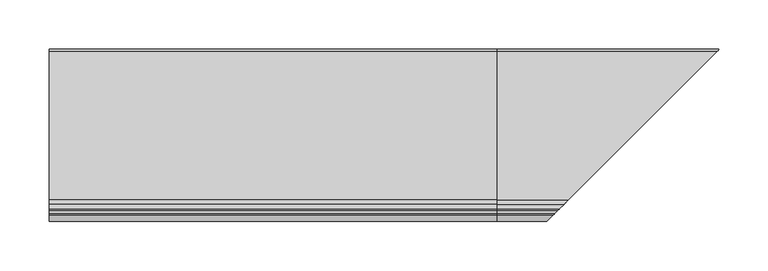
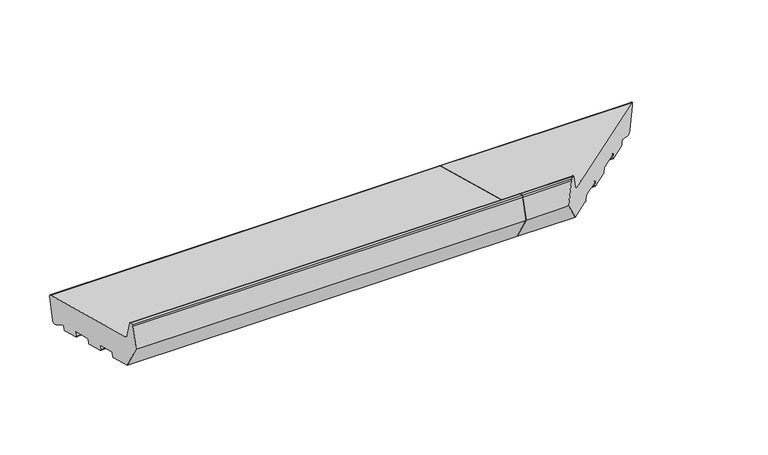
"""IFC4 building model written with IfcOpenShell, lengths in millimetres: proxy geometry."""

import ifcopenshell
import ifcopenshell.guid

model = None  # the IFC model being written
_history = None  # IfcOwnerHistory: only IFC2X3 demands one
_inside = {}  # id of a spatial element -> (the spatial element, [elements in it])
_under = {}  # id of a project, library or spatial element -> (it, [spatial elements below it])
_declared = {}  # id of a project -> (the project, [libraries it declares])
_typed = {}  # id of a type object -> (the type object, [elements of that type])
_made_of = {}  # id of a material, layer set ... -> (it, [elements and type objects made of it])


def new_model(schema):
    """Start an empty IFC model of exactly this schema.

    Asked for "IFC4X3", IfcOpenShell would pick the latest addendum, in which some entities
    have other attributes; the version numbers below select the first issue.
    IFC2X3 requires an IfcOwnerHistory on every rooted entity: one is made here for all.
    """
    global model, _history
    if schema == "IFC4X3":
        model = ifcopenshell.file(schema_version=(4, 3, 0, 0))
    else:
        model = ifcopenshell.file(schema=schema)
    _inside.clear()
    _under.clear()
    _declared.clear()
    _typed.clear()
    _made_of.clear()
    _history = None
    if model.schema == "IFC2X3":
        org = make("IfcOrganization", Name="unknown")
        user = make(
            "IfcPersonAndOrganization",
            ThePerson=make("IfcPerson", FamilyName="unknown"),
            TheOrganization=org,
        )
        app = make(
            "IfcApplication",
            ApplicationDeveloper=org,
            Version="unknown",
            ApplicationFullName="unknown",
            ApplicationIdentifier="unknown",
        )
        _history = make(
            "IfcOwnerHistory",
            OwningUser=user,
            OwningApplication=app,
            ChangeAction="ADDED",
            CreationDate=0,
        )
    return model


def make(cls, **values):
    """One entity of the class cls with the attributes given. An attribute that is None is left unset."""
    return model.create_entity(
        cls, **{name: value for name, value in values.items() if value is not None}
    )


def rooted(cls, **values):
    """An entity with a GlobalId (a new one), such as an element, a storey or a relation."""
    return make(cls, GlobalId=ifcopenshell.guid.new(), OwnerHistory=_history, **values)


def si_unit(unit_type, name, prefix=None):
    """IfcSIUnit, for example si_unit("LENGTHUNIT", "METRE", prefix="MILLI")."""
    return make("IfcSIUnit", UnitType=unit_type, Prefix=prefix, Name=name)


def assignment(units):
    """IfcUnitAssignment: the units of a project."""
    return None if units is None else make("IfcUnitAssignment", Units=units)


def point(xyz):
    """IfcCartesianPoint."""
    return None if xyz is None else make("IfcCartesianPoint", Coordinates=xyz)


def direction(xyz):
    """IfcDirection."""
    return None if xyz is None else make("IfcDirection", DirectionRatios=xyz)


def frame(location, z_axis=None, x_axis=None):
    """IfcAxis2Placement3D, a coordinate frame: its origin and axes. An axis left out is left unset."""
    return make(
        "IfcAxis2Placement3D",
        Location=point(location),
        Axis=direction(z_axis),
        RefDirection=direction(x_axis),
    )


def frame_2d(location, x_axis=None):
    """IfcAxis2Placement2D, a coordinate frame in the plane: its origin and x axis."""
    return make(
        "IfcAxis2Placement2D", Location=point(location), RefDirection=direction(x_axis)
    )


def origin():
    """The frame at (0, 0, 0) with its axes left unset."""
    return frame((0.0, 0.0, 0.0))


def place(relative_to, where):
    """IfcLocalPlacement: puts the frame where relative to a parent placement (None: the world)."""
    return make(
        "IfcLocalPlacement", PlacementRelTo=relative_to, RelativePlacement=where
    )


def context(
    kind, dimensions, precision=None, world=None, true_north=None, identifier=None
):
    """IfcGeometricRepresentationContext, for example the 3D "Model" context."""
    return make(
        "IfcGeometricRepresentationContext",
        ContextIdentifier=identifier,
        ContextType=kind,
        CoordinateSpaceDimension=dimensions,
        Precision=precision,
        WorldCoordinateSystem=world,
        TrueNorth=true_north,
    )


def project(units=None, contexts=None):
    """IfcProject with its units and contexts."""
    return rooted(
        "IfcProject",
        Name="project",
        RepresentationContexts=contexts,
        UnitsInContext=assignment(units),
    )


def spatial(cls, under=None, at=None, **own):
    """A site, building, storey or space (cls), placed at a placement, below another one or the project."""
    s = rooted(cls, ObjectPlacement=at, **own)
    if under is not None:
        _under.setdefault(under.id(), (under, []))[1].append(s)
    return s


def polyline(points):
    """IfcPolyline through the points."""
    return make("IfcPolyline", Points=[point(p) for p in points])


def circle_curve(where, radius):
    """IfcCircle in the frame where."""
    return make("IfcCircle", Position=where, Radius=radius)


def ellipse_curve(where, semi_axis1, semi_axis2):
    """IfcEllipse in the frame where."""
    return make(
        "IfcEllipse", Position=where, SemiAxis1=semi_axis1, SemiAxis2=semi_axis2
    )


def trimmed(basis, trim1, trim2, sense, master):
    """IfcTrimmedCurve: the piece of a basis curve between two trims."""
    return make(
        "IfcTrimmedCurve",
        BasisCurve=basis,
        Trim1=trim1,
        Trim2=trim2,
        SenseAgreement=sense,
        MasterRepresentation=master,
    )


def segment(curve, same_sense, transition):
    """IfcCompositeCurveSegment."""
    return make(
        "IfcCompositeCurveSegment",
        Transition=transition,
        SameSense=same_sense,
        ParentCurve=curve,
    )


def composite_curve(segments, self_intersect=None):
    """IfcCompositeCurve: segments joined end to end."""
    return make("IfcCompositeCurve", Segments=segments, SelfIntersect=self_intersect)


def outline(outer, holes=None, kind="AREA"):
    """IfcArbitraryClosedProfileDef: a profile drawn as a closed curve; with holes, ...WithVoids."""
    if holes is None:
        return make("IfcArbitraryClosedProfileDef", ProfileType=kind, OuterCurve=outer)
    return make(
        "IfcArbitraryProfileDefWithVoids",
        ProfileType=kind,
        OuterCurve=outer,
        InnerCurves=holes,
    )


def extrude(swept, where, along, depth):
    """IfcExtrudedAreaSolid: the profile swept, set in the frame where, extruded along a direction by depth."""
    return make(
        "IfcExtrudedAreaSolid",
        SweptArea=swept,
        Position=where,
        ExtrudedDirection=direction(along),
        Depth=depth,
    )


def shape(context_of_items, identifier, shape_type, items):
    """IfcShapeRepresentation: the items that make up one representation, for example the "Body"."""
    return make(
        "IfcShapeRepresentation",
        ContextOfItems=context_of_items,
        RepresentationIdentifier=identifier,
        RepresentationType=shape_type,
        Items=items,
    )


def source(mapping_origin, context_of_items, identifier, shape_type, items):
    """IfcRepresentationMap: a shape defined once, which mapped items show again and again."""
    return make(
        "IfcRepresentationMap",
        MappingOrigin=mapping_origin,
        MappedRepresentation=shape(context_of_items, identifier, shape_type, items),
    )


def transform(
    local_origin,
    x_axis=None,
    y_axis=None,
    z_axis=None,
    scale=None,
    scale2=None,
    scale3=None,
    uniform=True,
):
    """IfcCartesianTransformationOperator3D, or its non-uniform kind. x_axis, y_axis, z_axis: its Axis1, 2, 3."""
    if uniform:
        return make(
            "IfcCartesianTransformationOperator3D",
            Axis1=direction(x_axis),
            Axis2=direction(y_axis),
            LocalOrigin=point(local_origin),
            Scale=scale,
            Axis3=direction(z_axis),
        )
    return make(
        "IfcCartesianTransformationOperator3DnonUniform",
        Axis1=direction(x_axis),
        Axis2=direction(y_axis),
        LocalOrigin=point(local_origin),
        Scale=scale,
        Axis3=direction(z_axis),
        Scale2=scale2,
        Scale3=scale3,
    )


def mapped(mapping_source, mapping_target):
    """IfcMappedItem: shows the shape of a source again, moved by a transform."""
    return make(
        "IfcMappedItem", MappingSource=mapping_source, MappingTarget=mapping_target
    )


def made_of(thing, what):
    """Note that an element or type object is made of a material, layer set ...; save() writes the relation."""
    if what is not None:
        _made_of.setdefault(what.id(), (what, []))[1].append(thing)
    return thing


def element(
    cls,
    number,
    at=None,
    inside=None,
    cuts=None,
    type_object=None,
    material=None,
    context=None,
    identifier="Body",
    shape_type=None,
    held_by="IfcProductDefinitionShape",
    body=None,
    shapes=None,
    **own,
):
    """One element of the class cls, such as IfcWall. Its Tag is "e" and its number.

    at: its placement. inside: the storey or other place that contains it. cuts: it is an
    opening in that element (IfcRelVoidsElement). A single representation is given by context,
    identifier, shape_type and body (its items); several are given by shapes. held_by: the class
    of the entity that holds the representations. save() writes the other relations.
    """
    e = rooted(cls, Tag="e%d" % number, ObjectPlacement=at, **own)
    if body is not None:
        shapes = [shape(context, identifier, shape_type, body)]
    if shapes is not None:
        e.Representation = make(held_by, Representations=shapes)
    if inside is not None:
        _inside.setdefault(inside.id(), (inside, []))[1].append(e)
    if cuts is not None:
        rooted(
            "IfcRelVoidsElement", RelatingBuildingElement=cuts, RelatedOpeningElement=e
        )
    if type_object is not None:
        _typed.setdefault(type_object.id(), (type_object, []))[1].append(e)
    return made_of(e, material)


def aggregate(whole, parts):
    """IfcRelAggregates: a whole, such as a stair, and the parts it consists of."""
    return rooted("IfcRelAggregates", RelatingObject=whole, RelatedObjects=parts)


def save(model, path):
    """Write the relations noted so far, then the file.

    IfcRelAggregates (storeys below a building ...), IfcRelContainedInSpatialStructure (elements
    in a storey), IfcRelDefinesByType, IfcRelAssociatesMaterial and IfcRelDeclares: one each for
    every whole, place, type object, material and project.
    """
    for whole, parts in _under.values():
        aggregate(whole, parts)
    for where, things in _inside.values():
        rooted(
            "IfcRelContainedInSpatialStructure",
            RelatedElements=things,
            RelatingStructure=where,
        )
    for kind, things in _typed.values():
        rooted("IfcRelDefinesByType", RelatedObjects=things, RelatingType=kind)
    for what, things in _made_of.values():
        rooted("IfcRelAssociatesMaterial", RelatedObjects=things, RelatingMaterial=what)
    for by, libraries in _declared.values():
        rooted("IfcRelDeclares", RelatingContext=by, RelatedDefinitions=libraries)
    model.write(path)


def plane_surface(at):
    """IfcPlane: the flat surface through the origin of the frame at, square to its z axis."""
    return make("IfcPlane", Position=at)


def cylinder_surface(at, radius):
    """IfcCylindricalSurface: all points at the distance radius from the z axis of the frame at."""
    return make("IfcCylindricalSurface", Position=at, Radius=radius)


def revolved_surface(curve, axis_point, axis_direction):
    """IfcSurfaceOfRevolution: the curve turned about the line through axis_point along axis_direction."""
    return make(
        "IfcSurfaceOfRevolution",
        SweptCurve=make("IfcArbitraryOpenProfileDef", ProfileType="CURVE", Curve=curve),
        AxisPosition=make("IfcAxis1Placement", Location=point(axis_point), Axis=direction(axis_direction)),
    )


def advanced_brep(points, edges, surfaces, faces):
    """IfcAdvancedBrep: a solid bounded by faces that lie on surfaces and meet in shared edges.

    An edge is (start, end): straight between two places in points (the first is 0);
    or (start, end, curve); or (start, end, curve, False) where it runs against its curve.
    A face is (place in surfaces, loops), or (place, loops, False) where it looks against
    its surface's normal. A loop lists edges by number (the first is 1), with a minus sign
    where the edge is run from its end to its start. The first loop is the outer one.
    """
    corners = [point(p) for p in points]
    vertices = [make("IfcVertexPoint", VertexGeometry=c) for c in corners]
    made = []
    for start, end, *more in edges:
        made.append(
            make(
                "IfcEdgeCurve",
                EdgeStart=vertices[start],
                EdgeEnd=vertices[end],
                EdgeGeometry=more[0] if more else make("IfcPolyline", Points=[corners[start], corners[end]]),
                SameSense=more[1] if len(more) > 1 else True,
            )
        )
    hull = []
    for where, loops, *sense in faces:
        bounds = []
        for j, loop in enumerate(loops):
            ring = [make("IfcOrientedEdge", EdgeElement=made[abs(k) - 1], Orientation=k > 0) for k in loop]
            bounds.append(
                make(
                    "IfcFaceOuterBound" if j == 0 else "IfcFaceBound",
                    Bound=make("IfcEdgeLoop", EdgeList=ring),
                    Orientation=True,
                )
            )
        hull.append(make("IfcAdvancedFace", Bounds=bounds, FaceSurface=surfaces[where], SameSense=sense[0] if sense else True))
    return make("IfcAdvancedBrep", Outer=make("IfcClosedShell", CfsFaces=hull))


def generic_models_caa5d416(model_context):
    return source(origin(), model_context, "Body", "SolidModel", [
        advanced_brep(
        [(679.6670576, 34.6670576, 35.293328), (679.6670576, 34.6670576, 30.8798763), (679.6670576, 35.160744, 32.7223387), (455.0, 24.7572142, 5.4869469), (455.0, 22.0404366, 6.2149052), (455.0, 7.8722069, 14.8023515), (455.0, 6.3879511, 14.2059898), (455.0, 5.4386976, 10.6633278), (455.0, 4.2139528, 9.956221), (455.0, -18.0023412, 15.909059), (455.0, -18.709448, 17.1338039), (455.0, -17.6741718, 20.9975072), (455.0, -18.3812786, 22.2222521), (455.0, -41.5634984, 28.4339092), (455.0, -42.7882433, 27.7268024), (455.0, -43.8235195, 23.8630991), (455.0, -45.0482644, 23.1559923), (455.0, -67.2645584, 29.1088303), (455.0, -67.9716652, 30.3335752), (455.0, -66.936389, 34.1972785), (455.0, -67.6434958, 35.4220234), (455.0, -90.8257156, 41.6336805), (455.0, -92.0504605, 40.9265737), (455.0, -93.0857366, 37.0628704), (455.0, -94.3104815, 36.3557636), (455.0, -122.3223305, 43.8615159), (455.0, -140.0, 74.4801377), (455.0, -133.4291321, 99.0029505), (455.0, -131.9802434, 100.114722), (455.0, -128.6368689, 100.114722), (455.0, -127.1879801, 99.0029505), (455.0, -122.4052841, 81.1536858), (455.0, -118.1626434, 76.9110451), (455.0, 33.0394236, 36.3965733), (455.0, 35.160744, 32.7223387), (455.0, 28.4314488, 7.6082672), (673.4314488, 28.4314488, 7.6082672), (669.7572142, 24.7572142, 5.4869469), (678.0394236, 33.0394236, 36.3965733), (526.8373566, -118.1626434, 76.9110451), (522.5947159, -122.4052841, 81.1536858), (517.8120199, -127.1879801, 99.0029505), (516.3631311, -128.6368689, 100.114722), (513.0197566, -131.9802434, 100.114722), (511.5708679, -133.4291321, 99.0029505), (505.0, -140.0, 74.4801377), (522.6776695, -122.3223305, 43.8615159), (550.6895185, -94.3104815, 36.3557636), (551.9142634, -93.0857366, 37.0628704), (552.9495395, -92.0504605, 40.9265737), (554.1742844, -90.8257156, 41.6336805), (577.3565042, -67.6434958, 35.4220234), (578.063611, -66.936389, 34.1972785), (577.0283348, -67.9716652, 30.3335752), (577.7354416, -67.2645584, 29.1088303), (599.9517356, -45.0482644, 23.1559923), (601.1764805, -43.8235195, 23.8630991), (602.2117567, -42.7882433, 27.7268024), (603.4365016, -41.5634984, 28.4339092), (667.0404366, 22.0404366, 6.2149052), (626.6187214, -18.3812786, 22.2222521), (626.9976588, -18.0023412, 15.909059), (626.290552, -18.709448, 17.1338039), (627.3258282, -17.6741718, 20.9975072), (649.2139528, 4.2139528, 9.956221), (650.4386976, 5.4386976, 10.6633278), (651.3879511, 6.3879511, 14.2059898), (652.8722069, 7.8722069, 14.8023515)],
        [
            (0, 1),
            (1, 2),
            (2, 0, circle_curve(frame((679.6670576, 32.2629665, 33.4987958), z_axis=(1.0, 0.0, 0.0), x_axis=(0.0, 1.0, 0.0)), 3.0)),
            (3, 4),
            (4, 5),
            (5, 6, circle_curve(frame((455.0, 7.3538769, 13.9471708), z_axis=(1.0, 0.0, 0.0), x_axis=(0.0, 1.0, 0.0)), 1.0)),
            (6, 7),
            (7, 8, circle_curve(frame((455.0, 4.4727718, 10.9221468), z_axis=(-1.0, 0.0, 0.0), x_axis=(0.0, 1.0, 0.0)), 1.0)),
            (8, 9),
            (9, 10, circle_curve(frame((455.0, -17.7435222, 16.8749849), z_axis=(-1.0, 0.0, 0.0), x_axis=(0.0, 1.0, 0.0)), 1.0)),
            (10, 11),
            (11, 12, circle_curve(frame((455.0, -18.6400977, 21.2563263), z_axis=(1.0, 0.0, 0.0), x_axis=(0.0, 1.0, 0.0)), 1.0)),
            (12, 13),
            (13, 14, circle_curve(frame((455.0, -41.8223175, 27.4679833), z_axis=(1.0, 0.0, 0.0), x_axis=(0.0, 1.0, 0.0)), 1.0)),
            (14, 15),
            (15, 16, circle_curve(frame((455.0, -44.7894453, 24.1219181), z_axis=(-1.0, 0.0, 0.0), x_axis=(0.0, 1.0, 0.0)), 1.0)),
            (16, 17),
            (17, 18, circle_curve(frame((455.0, -67.0057393, 30.0747562), z_axis=(-1.0, 0.0, 0.0), x_axis=(0.0, 1.0, 0.0)), 1.0)),
            (18, 19),
            (19, 20, circle_curve(frame((455.0, -67.9023148, 34.4560976), z_axis=(1.0, 0.0, 0.0), x_axis=(0.0, 1.0, 0.0)), 1.0)),
            (20, 21),
            (21, 22, circle_curve(frame((455.0, -91.0845346, 40.6677546), z_axis=(1.0, 0.0, 0.0), x_axis=(0.0, 1.0, 0.0)), 1.0)),
            (22, 23),
            (23, 24, circle_curve(frame((455.0, -94.0516625, 37.3216894), z_axis=(-1.0, 0.0, 0.0), x_axis=(0.0, 1.0, 0.0)), 1.0)),
            (24, 25),
            (25, 26),
            (26, 27),
            (27, 28, circle_curve(frame((455.0, -131.9802434, 98.614722), z_axis=(-1.0, 0.0, 0.0), x_axis=(0.0, 1.0, 0.0)), 1.5)),
            (28, 29),
            (29, 30, circle_curve(frame((455.0, -128.6368689, 98.614722), z_axis=(-1.0, 0.0, 0.0), x_axis=(0.0, 1.0, 0.0)), 1.5)),
            (30, 31),
            (31, 32, circle_curve(frame((455.0, -116.6097291, 82.7066), z_axis=(1.0, 0.0, 0.0), x_axis=(0.0, 1.0, 0.0)), 6.0)),
            (32, 33),
            (33, 34, circle_curve(frame((455.0, 32.2629665, 33.4987958), z_axis=(-1.0, 0.0, 0.0), x_axis=(0.0, 1.0, 0.0)), 3.0)),
            (34, 35),
            (35, 3, circle_curve(frame((455.0, 25.5336713, 8.3847244), z_axis=(-1.0, 0.0, 0.0), x_axis=(0.0, 1.0, 0.0)), 3.0)),
            (35, 36),
            (36, 37, ellipse_curve(frame((670.5336713, 25.5336713, 8.3847244), z_axis=(-0.707106781186548, 0.7071067811865471, 0.0), x_axis=(0.707106781186547, 0.707106781186548, 0.0)), 4.2426407, 3.0)),
            (37, 3),
            (34, 2),
            (1, 36),
            (33, 38),
            (38, 0, ellipse_curve(frame((677.2629665, 32.2629665, 33.4987958), z_axis=(-0.707106781186548, 0.7071067811865471, 0.0), x_axis=(0.707106781186547, 0.707106781186548, 0.0)), 4.2426407, 3.0)),
            (32, 39),
            (39, 38),
            (31, 40),
            (40, 39, ellipse_curve(frame((528.3902709, -116.6097291, 82.7066), z_axis=(0.707106781186548, -0.7071067811865471, 0.0), x_axis=(-0.707106781186547, -0.707106781186548, 0.0)), 8.4852814, 6.0)),
            (30, 41),
            (41, 40),
            (29, 42),
            (42, 41, ellipse_curve(frame((516.3631311, -128.6368689, 98.614722), z_axis=(-0.707106781186548, 0.7071067811865471, 0.0), x_axis=(0.707106781186547, 0.707106781186548, 0.0)), 2.1213203, 1.5)),
            (28, 43),
            (43, 42),
            (27, 44),
            (44, 43, ellipse_curve(frame((513.0197566, -131.9802434, 98.614722), z_axis=(-0.707106781186548, 0.7071067811865471, 0.0), x_axis=(0.707106781186547, 0.707106781186548, 0.0)), 2.1213203, 1.5)),
            (26, 45),
            (45, 44),
            (25, 46),
            (46, 45),
            (24, 47),
            (47, 46),
            (23, 48),
            (48, 47, ellipse_curve(frame((550.9483375, -94.0516625, 37.3216894), z_axis=(-0.707106781186548, 0.7071067811865471, 0.0), x_axis=(0.707106781186547, 0.707106781186548, 0.0)), 1.4142136, 1.0)),
            (22, 49),
            (49, 48),
            (21, 50),
            (50, 49, ellipse_curve(frame((553.9154654, -91.0845346, 40.6677546), z_axis=(0.707106781186548, -0.7071067811865471, 0.0), x_axis=(-0.707106781186547, -0.707106781186548, 0.0)), 1.4142136, 1.0)),
            (20, 51),
            (51, 50),
            (19, 52),
            (52, 51, ellipse_curve(frame((577.0976852, -67.9023148, 34.4560976), z_axis=(0.707106781186548, -0.7071067811865471, 0.0), x_axis=(-0.707106781186547, -0.707106781186548, 0.0)), 1.4142136, 1.0)),
            (18, 53),
            (53, 52),
            (17, 54),
            (54, 53, ellipse_curve(frame((577.9942607, -67.0057393, 30.0747562), z_axis=(-0.707106781186548, 0.7071067811865471, 0.0), x_axis=(0.707106781186547, 0.707106781186548, 0.0)), 1.4142136, 1.0)),
            (16, 55),
            (55, 54),
            (15, 56),
            (56, 55, ellipse_curve(frame((600.2105547, -44.7894453, 24.1219181), z_axis=(-0.707106781186548, 0.7071067811865471, 0.0), x_axis=(0.707106781186547, 0.707106781186548, 0.0)), 1.4142136, 1.0)),
            (14, 57),
            (57, 56),
            (13, 58),
            (58, 57, ellipse_curve(frame((603.1776825, -41.8223175, 27.4679833), z_axis=(0.707106781186548, -0.7071067811865471, 0.0), x_axis=(-0.707106781186547, -0.707106781186548, 0.0)), 1.4142136, 1.0)),
            (37, 59),
            (59, 4),
            (12, 60),
            (60, 58),
            (9, 61),
            (61, 62, ellipse_curve(frame((627.2564778, -17.7435222, 16.8749849), z_axis=(-0.707106781186548, 0.7071067811865471, 0.0), x_axis=(0.707106781186547, 0.707106781186548, 0.0)), 1.4142136, 1.0)),
            (62, 10),
            (62, 63),
            (63, 11),
            (63, 60, ellipse_curve(frame((626.3599023, -18.6400977, 21.2563263), z_axis=(0.707106781186548, -0.7071067811865471, 0.0), x_axis=(-0.707106781186547, -0.707106781186548, 0.0)), 1.4142136, 1.0)),
            (8, 64),
            (64, 61),
            (7, 65),
            (65, 64, ellipse_curve(frame((649.4727718, 4.4727718, 10.9221468), z_axis=(-0.707106781186548, 0.7071067811865471, 0.0), x_axis=(0.707106781186547, 0.707106781186548, 0.0)), 1.4142136, 1.0)),
            (6, 66),
            (66, 65),
            (5, 67),
            (67, 66, ellipse_curve(frame((652.3538769, 7.3538769, 13.9471708), z_axis=(0.707106781186548, -0.7071067811865471, 0.0), x_axis=(-0.707106781186547, -0.707106781186548, 0.0)), 1.4142136, 1.0)),
            (59, 67),
        ],
        [
            plane_surface(frame((679.6670576, 0.0, 0.0), z_axis=(1.0, 0.0, 0.0), x_axis=(0.0, 0.0, 1.0))),
            plane_surface(frame((455.0, 0.0, 0.0), z_axis=(-1.0, 0.0, 0.0), x_axis=(0.0, 0.0, 1.0))),
            cylinder_surface(frame((679.6670576, 25.5336713, 8.3847244), z_axis=(1.0, 0.0, 0.0), x_axis=(0.0, 1.0, 0.0)), 3.0),
            plane_surface(frame((679.6670576, 35.160744, 32.7223387), z_axis=(0.0, 0.9659258262890688, -0.25881904510251913), x_axis=(-1.0, 0.0, 0.0))),
            cylinder_surface(frame((679.6670576, 32.2629665, 33.4987958), z_axis=(1.0, 0.0, 0.0), x_axis=(0.0, 1.0, 0.0)), 3.0),
            plane_surface(frame((679.6670576, -118.1626434, 76.9110451), z_axis=(0.0, 0.2588190451025206, 0.9659258262890684), x_axis=(-1.0, 0.0, 0.0))),
            revolved_surface(polyline([(455.0, -110.6097291, 82.7066), (534.3902709182161, -110.6097291, 82.7066)]), (679.6670576, -116.6097291, 82.7066), (-1.0, 0.0, 0.0)),
            plane_surface(frame((679.6670576, -127.1879801, 99.0029505), z_axis=(0.0, 0.9659258262890682, 0.2588190451025212), x_axis=(-1.0, 0.0, 0.0))),
            cylinder_surface(frame((679.6670576, -128.6368689, 98.614722), z_axis=(1.0, 0.0, 0.0), x_axis=(0.0, 1.0, 0.0)), 1.5),
            plane_surface(frame((679.6670576, -131.9802434, 100.114722), z_axis=(0.0, 0.0, 1.0), x_axis=(-1.0, 0.0, 0.0))),
            cylinder_surface(frame((679.6670576, -131.9802434, 98.614722), z_axis=(1.0, 0.0, 0.0), x_axis=(0.0, 1.0, 0.0)), 1.5),
            plane_surface(frame((679.6670576, -140.0, 74.4801377), z_axis=(0.0, -0.9659258262890683, 0.25881904510252074), x_axis=(-1.0, 0.0, 0.0))),
            plane_surface(frame((679.6670576, -122.3223305, 43.8615159), z_axis=(0.0, -0.8660254037844369, -0.500000000000003), x_axis=(-1.0, 0.0, 0.0))),
            plane_surface(frame((679.6670576, -94.3104815, 36.3557636), z_axis=(0.0, -0.2588190451025208, -0.9659258262890683), x_axis=(-1.0, 0.0, 0.0))),
            cylinder_surface(frame((679.6670576, -94.0516625, 37.3216894), z_axis=(1.0, 0.0, 0.0), x_axis=(0.0, 1.0, 0.0)), 1.0),
            plane_surface(frame((679.6670576, -92.0504605, 40.9265737), z_axis=(0.0, 0.9659258262890618, -0.25881904510254516), x_axis=(-1.0, 0.0, 0.0))),
            revolved_surface(polyline([(455.0, -90.0845346, 40.6677546), (554.9154654266063, -90.0845346, 40.6677546)]), (679.6670576, -91.0845346, 40.6677546), (-1.0, 0.0, 0.0)),
            plane_surface(frame((679.6670576, -67.6434958, 35.4220234), z_axis=(0.0, -0.2588190451025217, -0.9659258262890681), x_axis=(-1.0, 0.0, 0.0))),
            revolved_surface(polyline([(455.0, -66.9023148, 34.4560976), (578.0976852266062, -66.9023148, 34.4560976)]), (679.6670576, -67.9023148, 34.4560976), (-1.0, 0.0, 0.0)),
            plane_surface(frame((679.6670576, -67.9716652, 30.3335752), z_axis=(0.0, -0.9659258262890634, 0.25881904510253917), x_axis=(-1.0, 0.0, 0.0))),
            cylinder_surface(frame((679.6670576, -67.0057393, 30.0747562), z_axis=(1.0, 0.0, 0.0), x_axis=(0.0, 1.0, 0.0)), 1.0),
            plane_surface(frame((679.6670576, -45.0482644, 23.1559923), z_axis=(0.0, -0.2588190451025211, -0.9659258262890682), x_axis=(-1.0, 0.0, 0.0))),
            cylinder_surface(frame((679.6670576, -44.7894453, 24.1219181), z_axis=(1.0, 0.0, 0.0), x_axis=(0.0, 1.0, 0.0)), 1.0),
            plane_surface(frame((679.6670576, -42.7882433, 27.7268024), z_axis=(0.0, 0.9659258262890634, -0.2588190451025389), x_axis=(-1.0, 0.0, 0.0))),
            revolved_surface(polyline([(455.0, -40.8223175, 27.4679833), (604.1776825266062, -40.8223175, 27.4679833)]), (679.6670576, -41.8223175, 27.4679833), (-1.0, 0.0, 0.0)),
            plane_surface(frame((679.6670576, 24.7572142, 5.4869469), z_axis=(0.0, -0.2588190451025144, -0.96592582628907), x_axis=(-1.0, 0.0, 0.0))),
            plane_surface(frame((679.6670576, -18.3812786, 22.2222521), z_axis=(0.0, -0.25881904510252046, -0.9659258262890684), x_axis=(-1.0, 0.0, 0.0))),
            cylinder_surface(frame((679.6670576, -17.7435222, 16.8749849), z_axis=(1.0, 0.0, 0.0), x_axis=(0.0, 1.0, 0.0)), 1.0),
            plane_surface(frame((679.6670576, -18.709448, 17.1338039), z_axis=(0.0, -0.9659258262890631, 0.25881904510254045), x_axis=(-1.0, 0.0, 0.0))),
            revolved_surface(polyline([(455.0, -17.6400977, 21.2563263), (627.3599023266063, -17.6400977, 21.2563263)]), (679.6670576, -18.6400977, 21.2563263), (-1.0, 0.0, 0.0)),
            plane_surface(frame((679.6670576, 4.2139528, 9.956221), z_axis=(0.0, -0.2588190451025199, -0.9659258262890685), x_axis=(-1.0, 0.0, 0.0))),
            cylinder_surface(frame((679.6670576, 4.4727718, 10.9221468), z_axis=(1.0, 0.0, 0.0), x_axis=(0.0, 1.0, 0.0)), 1.0),
            plane_surface(frame((679.6670576, 6.3879511, 14.2059898), z_axis=(0.0, 0.9659258262890689, -0.2588190451025187), x_axis=(-1.0, 0.0, 0.0))),
            revolved_surface(polyline([(455.0, 8.3538769, 13.9471708), (653.3538769266063, 8.3538769, 13.9471708)]), (679.6670576, 7.3538769, 13.9471708), (-1.0, 0.0, 0.0)),
            plane_surface(frame((679.6670576, 22.0404366, 6.2149052), z_axis=(0.0, -0.5183299834329735, -0.8551806991942542), x_axis=(-1.0, 0.0, 0.0))),
            plane_surface(frame((625.8510281, -19.1489719, 0.0), z_axis=(0.707106781186548, -0.7071067811865471, 0.0), x_axis=(0.0, 0.0, 1.0))),
        ],
        [
            (0, [[1, 2, 3]]),
            (1, [[4, 5, 6, 7, 8, 9, 10, 11, 12, 13, 14, 15, 16, 17, 18, 19, 20, 21, 22, 23, 24, 25, 26, 27, 28, 29, 30, 31, 32, 33, 34, 35, 36]]),
            (2, [[37, 38, 39, -36]]),
            (3, [[40, -2, 41, -37, -35]]),
            (4, [[42, 43, -3, -40, -34]]),
            (5, [[44, 45, -42, -33]]),
            (6, [[46, 47, -44, -32]]),
            (7, [[48, 49, -46, -31]]),
            (8, [[50, 51, -48, -30]]),
            (9, [[52, 53, -50, -29]]),
            (10, [[54, 55, -52, -28]]),
            (11, [[56, 57, -54, -27]]),
            (12, [[58, 59, -56, -26]]),
            (13, [[60, 61, -58, -25]]),
            (14, [[62, 63, -60, -24]]),
            (15, [[64, 65, -62, -23]]),
            (16, [[66, 67, -64, -22]]),
            (17, [[68, 69, -66, -21]]),
            (18, [[70, 71, -68, -20]]),
            (19, [[72, 73, -70, -19]]),
            (20, [[74, 75, -72, -18]]),
            (21, [[76, 77, -74, -17]]),
            (22, [[78, 79, -76, -16]]),
            (23, [[80, 81, -78, -15]]),
            (24, [[82, 83, -80, -14]]),
            (25, [[-39, 84, 85, -4]]),
            (26, [[86, 87, -82, -13]]),
            (27, [[88, 89, 90, -10]]),
            (28, [[-90, 91, 92, -11]]),
            (29, [[-92, 93, -86, -12]]),
            (30, [[94, 95, -88, -9]]),
            (31, [[96, 97, -94, -8]]),
            (32, [[98, 99, -96, -7]]),
            (33, [[100, 101, -98, -6]]),
            (34, [[-85, 102, -100, -5]]),
            (35, [[-43, -45, -47, -49, -51, -53, -55, -57, -59, -61, -63, -65, -67, -69, -71, -73, -75, -77, -79, -81, -83, -87, -93, -91, -89, -95, -97, -99, -101, -102, -84, -38, -41, -1]]),
        ],
    ),
        extrude(outline(composite_curve([segment(polyline([(24.7572142, 5.4869469), (22.0404366, 6.2149052), (7.8722069, 14.8023515)]), True, "CONTINUOUS"), segment(trimmed(circle_curve(frame_2d((7.3538769, 13.9471708)), 1.0), [point((7.8722069, 14.8023515))], [point((6.3879511, 14.2059898))], True, "CARTESIAN"), True, "CONTINUOUS"), segment(polyline([(6.3879511, 14.2059898), (5.4386976, 10.6633278)]), True, "CONTINUOUS"), segment(trimmed(circle_curve(frame_2d((4.4727718, 10.9221468)), 1.0), [point((5.4386976, 10.6633278))], [point((4.2139528, 9.956221))], False, "CARTESIAN"), True, "CONTINUOUS"), segment(polyline([(4.2139528, 9.956221), (-18.0023412, 15.909059)]), True, "CONTINUOUS"), segment(trimmed(circle_curve(frame_2d((-17.7435222, 16.8749849)), 1.0), [point((-18.0023412, 15.909059))], [point((-18.709448, 17.1338039))], False, "CARTESIAN"), True, "CONTINUOUS"), segment(polyline([(-18.709448, 17.1338039), (-17.6741718, 20.9975072)]), True, "CONTINUOUS"), segment(trimmed(circle_curve(frame_2d((-18.6400977, 21.2563263)), 1.0), [point((-17.6741718, 20.9975072))], [point((-18.3812786, 22.2222521))], True, "CARTESIAN"), True, "CONTINUOUS"), segment(polyline([(-18.3812786, 22.2222521), (-41.5634984, 28.4339092)]), True, "CONTINUOUS"), segment(trimmed(circle_curve(frame_2d((-41.8223175, 27.4679833)), 1.0), [point((-41.5634984, 28.4339092))], [point((-42.7882433, 27.7268024))], True, "CARTESIAN"), True, "CONTINUOUS"), segment(polyline([(-42.7882433, 27.7268024), (-43.8235195, 23.8630991)]), True, "CONTINUOUS"), segment(trimmed(circle_curve(frame_2d((-44.7894453, 24.1219181)), 1.0), [point((-43.8235195, 23.8630991))], [point((-45.0482644, 23.1559923))], False, "CARTESIAN"), True, "CONTINUOUS"), segment(polyline([(-45.0482644, 23.1559923), (-67.2645584, 29.1088303)]), True, "CONTINUOUS"), segment(trimmed(circle_curve(frame_2d((-67.0057393, 30.0747562)), 1.0), [point((-67.2645584, 29.1088303))], [point((-67.9716652, 30.3335752))], False, "CARTESIAN"), True, "CONTINUOUS"), segment(polyline([(-67.9716652, 30.3335752), (-66.936389, 34.1972785)]), True, "CONTINUOUS"), segment(trimmed(circle_curve(frame_2d((-67.9023148, 34.4560976)), 1.0), [point((-66.936389, 34.1972785))], [point((-67.6434958, 35.4220234))], True, "CARTESIAN"), True, "CONTINUOUS"), segment(polyline([(-67.6434958, 35.4220234), (-90.8257156, 41.6336805)]), True, "CONTINUOUS"), segment(trimmed(circle_curve(frame_2d((-91.0845346, 40.6677546)), 1.0), [point((-90.8257156, 41.6336805))], [point((-92.0504605, 40.9265737))], True, "CARTESIAN"), True, "CONTINUOUS"), segment(polyline([(-92.0504605, 40.9265737), (-93.0857366, 37.0628704)]), True, "CONTINUOUS"), segment(trimmed(circle_curve(frame_2d((-94.0516625, 37.3216894)), 1.0), [point((-93.0857366, 37.0628704))], [point((-94.3104815, 36.3557636))], False, "CARTESIAN"), True, "CONTINUOUS"), segment(polyline([(-94.3104815, 36.3557636), (-122.3223305, 43.8615159), (-140.0, 74.4801377), (-133.4291321, 99.0029505)]), True, "CONTINUOUS"), segment(trimmed(circle_curve(frame_2d((-131.9802434, 98.614722)), 1.5), [point((-133.4291321, 99.0029505))], [point((-131.9802434, 100.114722))], False, "CARTESIAN"), True, "CONTINUOUS"), segment(polyline([(-131.9802434, 100.114722), (-128.6368689, 100.114722)]), True, "CONTINUOUS"), segment(trimmed(circle_curve(frame_2d((-128.6368689, 98.614722)), 1.5), [point((-128.6368689, 100.114722))], [point((-127.1879801, 99.0029505))], False, "CARTESIAN"), True, "CONTINUOUS"), segment(polyline([(-127.1879801, 99.0029505), (-122.4052841, 81.1536858)]), True, "CONTINUOUS"), segment(trimmed(circle_curve(frame_2d((-116.6097291, 82.7066)), 6.0), [point((-122.4052841, 81.1536858))], [point((-118.1626434, 76.9110451))], True, "CARTESIAN"), True, "CONTINUOUS"), segment(polyline([(-118.1626434, 76.9110451), (33.0394236, 36.3965733)]), True, "CONTINUOUS"), segment(trimmed(circle_curve(frame_2d((32.2629665, 33.4987958)), 3.0), [point((33.0394236, 36.3965733))], [point((35.160744, 32.7223387))], False, "CARTESIAN"), True, "CONTINUOUS"), segment(polyline([(35.160744, 32.7223387), (28.4314488, 7.6082672)]), True, "CONTINUOUS"), segment(trimmed(circle_curve(frame_2d((25.5336713, 8.3847244)), 3.0), [point((28.4314488, 7.6082672))], [point((24.7572142, 5.4869469))], False, "CARTESIAN"), True, "CONTINUOUS")], self_intersect=False)), frame((0.0, 0.0, 0.0), z_axis=(1.0, 0.0, 0.0), x_axis=(0.0, 1.0, 0.0)), (0.0, 0.0, 1.0), 455.0),
    ])


if __name__ == "__main__":
    model = new_model("IFC4")
    model_context = context("Model", 3, world=origin())
    ifc_project = project(units=[si_unit("LENGTHUNIT", "METRE", prefix="MILLI")], contexts=[model_context])
    site = spatial("IfcSite", under=ifc_project)
    building = spatial("IfcBuilding", under=site)
    placement = place(None, origin())
    generic_models_shape = generic_models_caa5d416(model_context)
    element("IfcBuildingElementProxy", 1, Name="Generic Models", at=placement, inside=building, context=model_context, shape_type="MappedRepresentation", body=[
        mapped(generic_models_shape, transform((0.0, 0.0, 0.0), x_axis=(1.0, 0.0, 0.0), y_axis=(0.0, 1.0, 0.0), z_axis=(0.0, 0.0, 1.0))),
    ])
    save(model, "model.ifc")
